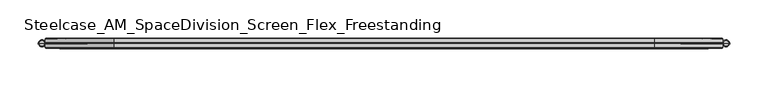
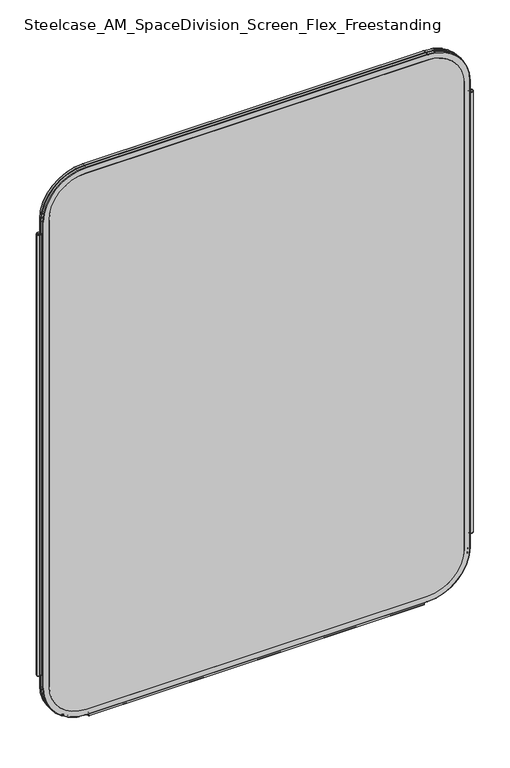
"""IFC4 building model written with IfcOpenShell, lengths in millimetres: furniture geometry, Steelcase_AM_SpaceDivision_Screen_Flex_Freestanding."""

from ifc_helpers import new_model, si_unit, point, frame, frame_2d, origin, place, context, project, spatial, polyline, circle_curve, ellipse_curve, trimmed, segment, composite_curve, outline, extrude, source, transform, mapped, element, save
from ifc_brep_helpers import plane_surface, cylinder_surface, revolved_surface, advanced_brep


def steelcase_am_spacedivision_screen_flex_freestanding_94bb1629(model_context):
    return source(origin(), model_context, "Body", "SolidModel", [
        advanced_brep(
        [(898.73, 0.0, 1084.43), (892.1294661, 0.0, 1084.43), (895.429733, 0.0, 1084.43), (900.0, 0.0, 1083.16), (890.8594661, 0.0, 1083.16), (900.0, 0.0, 121.92), (890.8594661, 0.0, 121.92), (898.73, 0.0, 120.65), (892.1294661, 0.0, 120.65), (895.429733, 0.0, 120.65)],
        [
            (0, 1, circle_curve(frame((895.429733, 0.0, 1084.43), z_axis=(0.0, 0.0, 1.0), x_axis=(-1.0, 0.0, 0.0)), 3.300267)),
            (1, 2),
            (2, 0),
            (1, 0, circle_curve(frame((895.429733, 0.0, 1084.43), z_axis=(0.0, 0.0, 1.0), x_axis=(-1.0, 0.0, 0.0)), 3.300267)),
            (3, 4, circle_curve(frame((895.429733, 0.0, 1083.16), z_axis=(0.0, 0.0, 1.0), x_axis=(-1.0, 0.0, 0.0)), 4.570267)),
            (4, 1, circle_curve(frame((892.1294661, 0.0, 1083.16), z_axis=(0.0, 1.0, 0.0), x_axis=(1.0, 0.0, 0.0)), 1.27)),
            (0, 3, circle_curve(frame((898.73, 0.0, 1083.16), z_axis=(0.0, 1.0, 0.0), x_axis=(-1.0, 0.0, 0.0)), 1.27)),
            (4, 3, circle_curve(frame((895.429733, 0.0, 1083.16), z_axis=(0.0, 0.0, 1.0), x_axis=(-1.0, 0.0, 0.0)), 4.570267)),
            (5, 6, circle_curve(frame((895.429733, 0.0, 121.92), z_axis=(0.0, 0.0, 1.0), x_axis=(-1.0, 0.0, 0.0)), 4.570267)),
            (6, 4),
            (3, 5),
            (6, 5, circle_curve(frame((895.429733, 0.0, 121.92), z_axis=(0.0, 0.0, 1.0), x_axis=(-1.0, 0.0, 0.0)), 4.570267)),
            (7, 8, circle_curve(frame((895.429733, 0.0, 120.65), z_axis=(0.0, 0.0, 1.0), x_axis=(-1.0, 0.0, 0.0)), 3.300267)),
            (8, 6, circle_curve(frame((892.1294661, 0.0, 121.92), z_axis=(0.0, 1.0, 0.0), x_axis=(1.0, 0.0, 0.0)), 1.27)),
            (5, 7, circle_curve(frame((898.73, 0.0, 121.92), z_axis=(0.0, 1.0, 0.0), x_axis=(-1.0, 0.0, 0.0)), 1.27)),
            (8, 7, circle_curve(frame((895.429733, 0.0, 120.65), z_axis=(0.0, 0.0, 1.0), x_axis=(-1.0, 0.0, 0.0)), 3.300267)),
            (9, 8),
            (7, 9),
        ],
        [
            plane_surface(frame((895.429733, 0.0, 1084.43), z_axis=(0.0, 0.0, 1.0), x_axis=(-1.0, 0.0, 0.0))),
            revolved_surface(trimmed(ellipse_curve(frame((892.1294661, 0.0, 1083.16), z_axis=(0.0, -1.0, 0.0), x_axis=(1.0, 0.0, 0.0)), 1.27, 1.27), [point((892.1294661, 0.0, 1084.43))], [point((890.8594661, 0.0, 1083.16))], True, "CARTESIAN"), (895.429733, 0.0, 112.3021634), (0.0, 0.0, -1.0)),
            cylinder_surface(frame((895.429733, 0.0, 112.3021634), z_axis=(0.0, 0.0, -1.0), x_axis=(-1.0, 0.0, 0.0)), 4.570267),
            revolved_surface(trimmed(ellipse_curve(frame((892.1294661, 0.0, 121.92), z_axis=(0.0, -1.0, 0.0), x_axis=(1.0, 0.0, 0.0)), 1.27, 1.27), [point((890.8594661, 0.0, 121.92))], [point((892.1294661, 0.0, 120.65))], True, "CARTESIAN"), (895.429733, 0.0, 112.3021634), (0.0, 0.0, -1.0)),
            plane_surface(frame((895.429733, 0.0, 120.65), z_axis=(0.0, 0.0, -1.0), x_axis=(-1.0, 0.0, 0.0))),
        ],
        [
            (0, [[1, 2, 3]]),
            (0, [[4, -3, -2]]),
            (1, [[5, 6, -1, 7]]),
            (1, [[8, -7, -4, -6]]),
            (2, [[9, 10, -5, 11]]),
            (2, [[12, -11, -8, -10]]),
            (3, [[13, 14, -9, 15]]),
            (3, [[16, -15, -12, -14]]),
            (4, [[17, -13, 18]]),
            (4, [[-18, -16, -17]]),
        ],
    ),
        advanced_brep(
        [(7.9329041, 0.0, 120.65), (1.232448, 0.0, 120.65), (0.0, 0.0, 121.882448), (9.1653521, 0.0, 121.882448), (4.582676, 0.0, 120.65), (7.8953521, 0.0, 1084.43), (1.27, 0.0, 1084.43), (4.582676, 0.0, 1084.43), (9.1653521, 0.0, 1083.16), (0.0, 0.0, 1083.16)],
        [
            (0, 1, circle_curve(frame((4.582676, 0.0, 120.65), z_axis=(0.0, 0.0, 1.0), x_axis=(-1.0, 0.0, 0.0)), 3.3502281)),
            (1, 2, circle_curve(frame((1.232448, 0.0, 121.882448), z_axis=(0.0, 1.0, 0.0), x_axis=(1.0, 0.0, 0.0)), 1.232448)),
            (2, 3, circle_curve(frame((4.582676, 0.0, 121.882448), z_axis=(0.0, 0.0, -1.0), x_axis=(-1.0, 0.0, 0.0)), 4.582676)),
            (3, 0, circle_curve(frame((7.9329041, 0.0, 121.882448), z_axis=(0.0, 1.0, 0.0), x_axis=(-1.0, 0.0, 0.0)), 1.232448)),
            (1, 0, circle_curve(frame((4.582676, 0.0, 120.65), z_axis=(0.0, 0.0, 1.0), x_axis=(-1.0, 0.0, 0.0)), 3.3502281)),
            (3, 2, circle_curve(frame((4.582676, 0.0, 121.882448), z_axis=(0.0, 0.0, -1.0), x_axis=(-1.0, 0.0, 0.0)), 4.582676)),
            (4, 1),
            (0, 4),
            (5, 6, circle_curve(frame((4.582676, 0.0, 1084.43), z_axis=(0.0, 0.0, 1.0), x_axis=(-1.0, 0.0, 0.0)), 3.312676)),
            (6, 7),
            (7, 5),
            (6, 5, circle_curve(frame((4.582676, 0.0, 1084.43), z_axis=(0.0, 0.0, 1.0), x_axis=(-1.0, 0.0, 0.0)), 3.312676)),
            (8, 9, circle_curve(frame((4.582676, 0.0, 1083.16), z_axis=(0.0, 0.0, 1.0), x_axis=(-1.0, 0.0, 0.0)), 4.582676)),
            (9, 6, circle_curve(frame((1.27, 0.0, 1083.16), z_axis=(0.0, 1.0, 0.0), x_axis=(1.0, 0.0, 0.0)), 1.27)),
            (5, 8, circle_curve(frame((7.8953521, 0.0, 1083.16), z_axis=(0.0, 1.0, 0.0), x_axis=(-1.0, 0.0, 0.0)), 1.27)),
            (9, 8, circle_curve(frame((4.582676, 0.0, 1083.16), z_axis=(0.0, 0.0, 1.0), x_axis=(-1.0, 0.0, 0.0)), 4.582676)),
            (2, 9),
            (8, 3),
        ],
        [
            revolved_surface(trimmed(ellipse_curve(frame((1.232448, 0.0, 121.882448), z_axis=(0.0, -1.0, 0.0), x_axis=(1.0, 0.0, 0.0)), 1.232448, 1.232448), [point((0.0, 0.0, 121.882448))], [point((1.232448, 0.0, 120.65))], True, "CARTESIAN"), (4.582676, 0.0, 110.6453157), (0.0, 0.0, -1.0)),
            plane_surface(frame((4.582676, 0.0, 120.65), z_axis=(0.0, 0.0, -1.0), x_axis=(-1.0, 0.0, 0.0))),
            plane_surface(frame((4.582676, 0.0, 1084.43), z_axis=(0.0, 0.0, 1.0), x_axis=(-1.0, 0.0, 0.0))),
            revolved_surface(trimmed(ellipse_curve(frame((1.27, 0.0, 1083.16), z_axis=(0.0, -1.0, 0.0), x_axis=(1.0, 0.0, 0.0)), 1.27, 1.27), [point((1.27, 0.0, 1084.43))], [point((0.0, 0.0, 1083.16))], True, "CARTESIAN"), (4.582676, 0.0, 110.6453157), (0.0, 0.0, -1.0)),
            cylinder_surface(frame((4.582676, 0.0, 110.6453157), z_axis=(0.0, 0.0, -1.0), x_axis=(-1.0, 0.0, 0.0)), 4.582676),
        ],
        [
            (0, [[1, 2, 3, 4]]),
            (0, [[5, -4, 6, -2]]),
            (1, [[7, -1, 8]]),
            (1, [[-8, -5, -7]]),
            (2, [[9, 10, 11]]),
            (2, [[12, -11, -10]]),
            (3, [[13, 14, -9, 15]]),
            (3, [[16, -15, -12, -14]]),
            (4, [[-3, 17, -13, 18]]),
            (4, [[-6, -18, -16, -17]]),
        ],
    ),
        extrude(outline(composite_curve([segment(trimmed(circle_curve(frame_2d((3.5, 2.4751953)), 2.5), [point((3.5, 4.9751953))], [point((1.4656663, 1.0220998))], False, "CARTESIAN"), True, "CONTINUOUS"), segment(trimmed(circle_curve(frame_2d((0.0, -0.0248047)), 1.8011626), [point((1.4656663, 1.0220998))], [point((-1.4656663, 1.0220998))], True, "CARTESIAN"), True, "CONTINUOUS"), segment(trimmed(circle_curve(frame_2d((-3.5, 2.4751953)), 2.5), [point((-1.4656663, 1.0220998))], [point((-3.5, 4.9751953))], False, "CARTESIAN"), True, "CONTINUOUS"), segment(trimmed(circle_curve(frame_2d((-3.5, 4.4751953)), 0.5), [point((-3.5, 4.9751953))], [point((-3.5, 3.9751953))], False, "CARTESIAN"), True, "CONTINUOUS"), segment(trimmed(circle_curve(frame_2d((-3.5, 2.4751953)), 1.5), [point((-3.5, 3.9751953))], [point((-2.3025096, 1.5718589))], True, "CARTESIAN"), True, "CONTINUOUS"), segment(trimmed(circle_curve(frame_2d((-10.3325937, 7.629417)), 10.0586411), [point((-2.3025096, 1.5718589))], [point((-0.714976, 4.6836248))], True, "CARTESIAN"), True, "CONTINUOUS"), segment(trimmed(circle_curve(frame_2d((0.0, 4.4646339)), 0.7477618), [point((-0.714976, 4.6836248))], [point((0.714976, 4.6836248))], False, "CARTESIAN"), True, "CONTINUOUS"), segment(trimmed(circle_curve(frame_2d((10.3325937, 7.629417)), 10.0586411), [point((0.714976, 4.6836248))], [point((2.3025096, 1.5718589))], True, "CARTESIAN"), True, "CONTINUOUS"), segment(trimmed(circle_curve(frame_2d((3.5, 2.4751953)), 1.5), [point((2.3025096, 1.5718589))], [point((3.5, 3.9751953))], True, "CARTESIAN"), True, "CONTINUOUS"), segment(trimmed(circle_curve(frame_2d((3.5, 4.4751953)), 0.5), [point((3.5, 3.9751953))], [point((3.5, 4.9751953))], False, "CARTESIAN"), True, "CONTINUOUS")], self_intersect=False)), frame((104.1640108, 0.0, 0.0), z_axis=(1.0, 0.0, 0.0), x_axis=(0.0, 1.0, 0.0)), (0.0, 0.0, 1.0), 691.6719784),
        extrude(outline(composite_curve([segment(trimmed(circle_curve(frame_2d((1111.1, 801.9594661)), 76.2), [point((1111.1, 878.1594661))], [point((1187.3, 801.9594661))], False, "CARTESIAN"), True, "CONTINUOUS"), segment(polyline([(1187.3, 801.9594661), (1187.3, 98.0653521)]), True, "CONTINUOUS"), segment(trimmed(circle_curve(frame_2d((1111.1, 98.0653521)), 76.2), [point((1187.3, 98.0653521))], [point((1111.1, 21.8653521))], False, "CARTESIAN"), True, "CONTINUOUS"), segment(polyline([(1111.1, 21.8653521), (93.8996464, 21.8653521)]), True, "CONTINUOUS"), segment(trimmed(circle_curve(frame_2d((93.8996464, 98.0653521)), 76.2), [point((93.8996464, 21.8653521))], [point((17.6996464, 98.0653521))], False, "CARTESIAN"), True, "CONTINUOUS"), segment(polyline([(17.6996464, 98.0653521), (17.6996464, 801.9594661)]), True, "CONTINUOUS"), segment(trimmed(circle_curve(frame_2d((93.8996464, 801.9594661)), 76.2), [point((17.6996464, 801.9594661))], [point((93.8996464, 878.1594661))], False, "CARTESIAN"), True, "CONTINUOUS"), segment(polyline([(93.8996464, 878.1594661), (1111.1, 878.1594661)]), True, "CONTINUOUS")], self_intersect=False)), frame((0.0, -6.477, 0.0), z_axis=(0.0, 1.0, 0.0), x_axis=(0.0, 0.0, 1.0)), (0.0, 0.0, 1.0), 12.954),
        advanced_brep(
        [(98.0653521, -6.477, 1187.3), (21.8653521, -6.477, 1111.1), (21.8653521, 6.477, 1111.1), (98.0653521, 6.477, 1187.3), (98.0653521, -5.715, 1200.0), (9.1653521, -5.715, 1111.1), (9.9273521, -6.477, 1111.1), (98.0653521, -6.477, 1199.238), (98.0653521, -0.8129491, 1200.0), (9.1653521, -0.8129491, 1111.1), (98.0653521, 0.0, 1199.4093579), (9.7559942, 0.0, 1111.1), (98.0653521, 0.8129491, 1200.0), (9.1653521, 0.8129491, 1111.1), (98.0653521, 5.715, 1200.0), (9.1653521, 5.715, 1111.1), (98.0653521, 6.477, 1199.238), (9.9273521, 6.477, 1111.1), (801.9594661, 6.477, 1187.3), (801.9594661, -6.477, 1187.3), (801.9594661, -6.477, 1199.238), (801.9594661, -5.715, 1200.0), (801.9594661, -0.8129491, 1200.0), (801.9594661, 0.0, 1199.4093579), (801.9594661, 0.8129491, 1200.0), (801.9594661, 5.715, 1200.0), (801.9594661, 6.477, 1199.238), (878.1594661, -6.477, 1111.1), (878.1594661, 6.477, 1111.1), (890.8594661, -5.715, 1111.1), (890.0974661, -6.477, 1111.1), (890.8594661, -0.8129491, 1111.1), (890.2688239, 0.0, 1111.1), (890.8594661, 0.8129491, 1111.1), (890.8594661, 5.715, 1111.1), (890.0974661, 6.477, 1111.1), (878.1594661, 6.477, 93.8996464), (878.1594661, -6.477, 93.8996464), (890.0974661, -6.477, 93.8996464), (890.8594661, -5.715, 93.8996464), (890.8594661, -0.8129491, 93.8996464), (890.2688239, 0.0, 93.8996464), (890.8594661, 0.8129491, 93.8996464), (890.8594661, 5.715, 93.8996464), (890.0974661, 6.477, 93.8996464), (801.9594661, -6.477, 17.6996464), (801.9594661, 6.477, 17.6996464), (801.9594661, -5.715, 4.9996464), (801.9594661, -6.477, 5.7616464), (801.9594661, -0.8129491, 4.9996464), (801.9594661, 0.0, 5.5902885), (801.9594661, 0.8129491, 4.9996464), (801.9594661, 5.715, 4.9996464), (801.9594661, 6.477, 5.7616464), (98.0653521, 6.477, 17.6996464), (98.0653521, -6.477, 17.6996464), (98.0653521, -6.477, 5.7616464), (98.0653521, -5.715, 4.9996464), (98.0653521, -0.8129491, 4.9996464), (98.0653521, 0.0, 5.5902885), (98.0653521, 0.8129491, 4.9996464), (98.0653521, 5.715, 4.9996464), (98.0653521, 6.477, 5.7616464), (21.8653521, -6.477, 93.8996464), (21.8653521, 6.477, 93.8996464), (9.1653521, -5.715, 93.8996464), (9.9273521, -6.477, 93.8996464), (9.1653521, -0.8129491, 93.8996464), (9.7559942, 0.0, 93.8996464), (9.1653521, 0.8129491, 93.8996464), (9.1653521, 5.715, 93.8996464), (9.9273521, 6.477, 93.8996464)],
        [
            (0, 1, circle_curve(frame((98.0653521, -6.477, 1111.1), z_axis=(0.0, -1.0, 0.0), x_axis=(-1.0, 0.0, 0.0)), 76.2)),
            (1, 2),
            (2, 3, circle_curve(frame((98.0653521, 6.477, 1111.1), z_axis=(0.0, 1.0, 0.0), x_axis=(-1.0, 0.0, 0.0)), 76.2)),
            (3, 0),
            (4, 5, circle_curve(frame((98.0653521, -5.715, 1111.1), z_axis=(0.0, -1.0, 0.0), x_axis=(-1.0, 0.0, 0.0)), 88.9)),
            (5, 6, circle_curve(frame((9.9273521, -5.715, 1111.1), z_axis=(0.0, 0.0, 1.0), x_axis=(-1.0, 0.0, 0.0)), 0.762)),
            (6, 7, circle_curve(frame((98.0653521, -6.477, 1111.1), z_axis=(0.0, 1.0, 0.0), x_axis=(-1.0, 0.0, 0.0)), 88.138)),
            (7, 4, circle_curve(frame((98.0653521, -5.715, 1199.238), z_axis=(-1.0, 0.0, 0.0), x_axis=(0.0, 0.0, 1.0)), 0.762)),
            (8, 9, circle_curve(frame((98.0653521, -0.8129491, 1111.1), z_axis=(0.0, -1.0, 0.0), x_axis=(-1.0, 0.0, 0.0)), 88.9)),
            (9, 5),
            (4, 8),
            (10, 11, circle_curve(frame((98.0653521, 0.0, 1111.1), z_axis=(0.0, -1.0, 0.0), x_axis=(-1.0, 0.0, 0.0)), 88.3093579)),
            (11, 9, circle_curve(frame((10.0201374, -0.8129491, 1111.1), z_axis=(0.0, 0.0, 1.0), x_axis=(-1.0, 0.0, 0.0)), 0.8547853)),
            (8, 10, circle_curve(frame((98.0653521, -0.8129491, 1199.1452147), z_axis=(-1.0, 0.0, 0.0), x_axis=(0.0, 0.0, 1.0)), 0.8547853)),
            (12, 13, circle_curve(frame((98.0653521, 0.8129491, 1111.1), z_axis=(0.0, -1.0, 0.0), x_axis=(-1.0, 0.0, 0.0)), 88.9)),
            (13, 11, circle_curve(frame((10.0201374, 0.8129491, 1111.1), z_axis=(0.0, 0.0, 1.0), x_axis=(-1.0, 0.0, 0.0)), 0.8547853)),
            (10, 12, circle_curve(frame((98.0653521, 0.8129491, 1199.1452147), z_axis=(-1.0, 0.0, 0.0), x_axis=(0.0, 0.0, 1.0)), 0.8547853)),
            (14, 15, circle_curve(frame((98.0653521, 5.715, 1111.1), z_axis=(0.0, -1.0, 0.0), x_axis=(-1.0, 0.0, 0.0)), 88.9)),
            (15, 13),
            (12, 14),
            (16, 17, circle_curve(frame((98.0653521, 6.477, 1111.1), z_axis=(0.0, -1.0, 0.0), x_axis=(-1.0, 0.0, 0.0)), 88.138)),
            (17, 15, circle_curve(frame((9.9273521, 5.715, 1111.1), z_axis=(0.0, 0.0, 1.0), x_axis=(-1.0, 0.0, 0.0)), 0.762)),
            (14, 16, circle_curve(frame((98.0653521, 5.715, 1199.238), z_axis=(-1.0, 0.0, 0.0), x_axis=(0.0, 0.0, 1.0)), 0.762)),
            (3, 18),
            (18, 19),
            (19, 0),
            (7, 20),
            (20, 21, circle_curve(frame((801.9594661, -5.715, 1199.238), z_axis=(-1.0, 0.0, 0.0), x_axis=(0.0, 0.0, 1.0)), 0.762)),
            (21, 4),
            (21, 22),
            (22, 8),
            (22, 23, circle_curve(frame((801.9594661, -0.8129491, 1199.1452147), z_axis=(-1.0, 0.0, 0.0), x_axis=(0.0, 0.0, 1.0)), 0.8547853)),
            (23, 10),
            (23, 24, circle_curve(frame((801.9594661, 0.8129491, 1199.1452147), z_axis=(-1.0, 0.0, 0.0), x_axis=(0.0, 0.0, 1.0)), 0.8547853)),
            (24, 12),
            (24, 25),
            (25, 14),
            (25, 26, circle_curve(frame((801.9594661, 5.715, 1199.238), z_axis=(-1.0, 0.0, 0.0), x_axis=(0.0, 0.0, 1.0)), 0.762)),
            (26, 16),
            (27, 19, circle_curve(frame((801.9594661, -6.477, 1111.1), z_axis=(0.0, -1.0, 0.0), x_axis=(0.0, 0.0, 1.0)), 76.2)),
            (18, 28, circle_curve(frame((801.9594661, 6.477, 1111.1), z_axis=(0.0, 1.0, 0.0), x_axis=(0.0, 0.0, 1.0)), 76.2)),
            (28, 27),
            (29, 21, circle_curve(frame((801.9594661, -5.715, 1111.1), z_axis=(0.0, -1.0, 0.0), x_axis=(0.0, 0.0, 1.0)), 88.9)),
            (20, 30, circle_curve(frame((801.9594661, -6.477, 1111.1), z_axis=(0.0, 1.0, 0.0), x_axis=(0.0, 0.0, 1.0)), 88.138)),
            (30, 29, circle_curve(frame((890.0974661, -5.715, 1111.1), z_axis=(0.0, 0.0, 1.0), x_axis=(1.0, 0.0, 0.0)), 0.762)),
            (31, 22, circle_curve(frame((801.9594661, -0.8129491, 1111.1), z_axis=(0.0, -1.0, 0.0), x_axis=(0.0, 0.0, 1.0)), 88.9)),
            (29, 31),
            (32, 23, circle_curve(frame((801.9594661, 0.0, 1111.1), z_axis=(0.0, -1.0, 0.0), x_axis=(0.0, 0.0, 1.0)), 88.3093579)),
            (31, 32, circle_curve(frame((890.0046808, -0.8129491, 1111.1), z_axis=(0.0, 0.0, 1.0), x_axis=(1.0, 0.0, 0.0)), 0.8547853)),
            (33, 24, circle_curve(frame((801.9594661, 0.8129491, 1111.1), z_axis=(0.0, -1.0, 0.0), x_axis=(0.0, 0.0, 1.0)), 88.9)),
            (32, 33, circle_curve(frame((890.0046808, 0.8129491, 1111.1), z_axis=(0.0, 0.0, 1.0), x_axis=(1.0, 0.0, 0.0)), 0.8547853)),
            (34, 25, circle_curve(frame((801.9594661, 5.715, 1111.1), z_axis=(0.0, -1.0, 0.0), x_axis=(0.0, 0.0, 1.0)), 88.9)),
            (33, 34),
            (35, 26, circle_curve(frame((801.9594661, 6.477, 1111.1), z_axis=(0.0, -1.0, 0.0), x_axis=(0.0, 0.0, 1.0)), 88.138)),
            (34, 35, circle_curve(frame((890.0974661, 5.715, 1111.1), z_axis=(0.0, 0.0, 1.0), x_axis=(1.0, 0.0, 0.0)), 0.762)),
            (28, 36),
            (36, 37),
            (37, 27),
            (30, 38),
            (38, 39, circle_curve(frame((890.0974661, -5.715, 93.8996464), z_axis=(0.0, 0.0, 1.0), x_axis=(1.0, 0.0, 0.0)), 0.762)),
            (39, 29),
            (39, 40),
            (40, 31),
            (40, 41, circle_curve(frame((890.0046808, -0.8129491, 93.8996464), z_axis=(0.0, 0.0, 1.0), x_axis=(1.0, 0.0, 0.0)), 0.8547853)),
            (41, 32),
            (41, 42, circle_curve(frame((890.0046808, 0.8129491, 93.8996464), z_axis=(0.0, 0.0, 1.0), x_axis=(1.0, 0.0, 0.0)), 0.8547853)),
            (42, 33),
            (42, 43),
            (43, 34),
            (43, 44, circle_curve(frame((890.0974661, 5.715, 93.8996464), z_axis=(0.0, 0.0, 1.0), x_axis=(1.0, 0.0, 0.0)), 0.762)),
            (44, 35),
            (45, 37, circle_curve(frame((801.9594661, -6.477, 93.8996464), z_axis=(0.0, -1.0, 0.0), x_axis=(1.0, 0.0, 0.0)), 76.2)),
            (36, 46, circle_curve(frame((801.9594661, 6.477, 93.8996464), z_axis=(0.0, 1.0, 0.0), x_axis=(1.0, 0.0, 0.0)), 76.2)),
            (46, 45),
            (47, 39, circle_curve(frame((801.9594661, -5.715, 93.8996464), z_axis=(0.0, -1.0, 0.0), x_axis=(1.0, 0.0, 0.0)), 88.9)),
            (38, 48, circle_curve(frame((801.9594661, -6.477, 93.8996464), z_axis=(0.0, 1.0, 0.0), x_axis=(1.0, 0.0, 0.0)), 88.138)),
            (48, 47, circle_curve(frame((801.9594661, -5.715, 5.7616464), z_axis=(1.0, 0.0, 0.0), x_axis=(0.0, 0.0, -1.0)), 0.762)),
            (49, 40, circle_curve(frame((801.9594661, -0.8129491, 93.8996464), z_axis=(0.0, -1.0, 0.0), x_axis=(1.0, 0.0, 0.0)), 88.9)),
            (47, 49),
            (50, 41, circle_curve(frame((801.9594661, 0.0, 93.8996464), z_axis=(0.0, -1.0, 0.0), x_axis=(1.0, 0.0, 0.0)), 88.3093579)),
            (49, 50, circle_curve(frame((801.9594661, -0.8129491, 5.8544317), z_axis=(1.0, 0.0, 0.0), x_axis=(0.0, 0.0, -1.0)), 0.8547853)),
            (51, 42, circle_curve(frame((801.9594661, 0.8129491, 93.8996464), z_axis=(0.0, -1.0, 0.0), x_axis=(1.0, 0.0, 0.0)), 88.9)),
            (50, 51, circle_curve(frame((801.9594661, 0.8129491, 5.8544317), z_axis=(1.0, 0.0, 0.0), x_axis=(0.0, 0.0, -1.0)), 0.8547853)),
            (52, 43, circle_curve(frame((801.9594661, 5.715, 93.8996464), z_axis=(0.0, -1.0, 0.0), x_axis=(1.0, 0.0, 0.0)), 88.9)),
            (51, 52),
            (53, 44, circle_curve(frame((801.9594661, 6.477, 93.8996464), z_axis=(0.0, -1.0, 0.0), x_axis=(1.0, 0.0, 0.0)), 88.138)),
            (52, 53, circle_curve(frame((801.9594661, 5.715, 5.7616464), z_axis=(1.0, 0.0, 0.0), x_axis=(0.0, 0.0, -1.0)), 0.762)),
            (46, 54),
            (54, 55),
            (55, 45),
            (48, 56),
            (56, 57, circle_curve(frame((98.0653521, -5.715, 5.7616464), z_axis=(1.0, 0.0, 0.0), x_axis=(0.0, 0.0, -1.0)), 0.762)),
            (57, 47),
            (57, 58),
            (58, 49),
            (58, 59, circle_curve(frame((98.0653521, -0.8129491, 5.8544317), z_axis=(1.0, 0.0, 0.0), x_axis=(0.0, 0.0, -1.0)), 0.8547853)),
            (59, 50),
            (59, 60, circle_curve(frame((98.0653521, 0.8129491, 5.8544317), z_axis=(1.0, 0.0, 0.0), x_axis=(0.0, 0.0, -1.0)), 0.8547853)),
            (60, 51),
            (60, 61),
            (61, 52),
            (61, 62, circle_curve(frame((98.0653521, 5.715, 5.7616464), z_axis=(1.0, 0.0, 0.0), x_axis=(0.0, 0.0, -1.0)), 0.762)),
            (62, 53),
            (63, 55, circle_curve(frame((98.0653521, -6.477, 93.8996464), z_axis=(0.0, -1.0, 0.0), x_axis=(0.0, 0.0, -1.0)), 76.2)),
            (54, 64, circle_curve(frame((98.0653521, 6.477, 93.8996464), z_axis=(0.0, 1.0, 0.0), x_axis=(0.0, 0.0, -1.0)), 76.2)),
            (64, 63),
            (65, 57, circle_curve(frame((98.0653521, -5.715, 93.8996464), z_axis=(0.0, -1.0, 0.0), x_axis=(0.0, 0.0, -1.0)), 88.9)),
            (56, 66, circle_curve(frame((98.0653521, -6.477, 93.8996464), z_axis=(0.0, 1.0, 0.0), x_axis=(0.0, 0.0, -1.0)), 88.138)),
            (66, 65, circle_curve(frame((9.9273521, -5.715, 93.8996464), z_axis=(0.0, 0.0, -1.0), x_axis=(-1.0, 0.0, 0.0)), 0.762)),
            (67, 58, circle_curve(frame((98.0653521, -0.8129491, 93.8996464), z_axis=(0.0, -1.0, 0.0), x_axis=(0.0, 0.0, -1.0)), 88.9)),
            (65, 67),
            (68, 59, circle_curve(frame((98.0653521, 0.0, 93.8996464), z_axis=(0.0, -1.0, 0.0), x_axis=(0.0, 0.0, -1.0)), 88.3093579)),
            (67, 68, circle_curve(frame((10.0201374, -0.8129491, 93.8996464), z_axis=(0.0, 0.0, -1.0), x_axis=(-1.0, 0.0, 0.0)), 0.8547853)),
            (69, 60, circle_curve(frame((98.0653521, 0.8129491, 93.8996464), z_axis=(0.0, -1.0, 0.0), x_axis=(0.0, 0.0, -1.0)), 88.9)),
            (68, 69, circle_curve(frame((10.0201374, 0.8129491, 93.8996464), z_axis=(0.0, 0.0, -1.0), x_axis=(-1.0, 0.0, 0.0)), 0.8547853)),
            (70, 61, circle_curve(frame((98.0653521, 5.715, 93.8996464), z_axis=(0.0, -1.0, 0.0), x_axis=(0.0, 0.0, -1.0)), 88.9)),
            (69, 70),
            (71, 62, circle_curve(frame((98.0653521, 6.477, 93.8996464), z_axis=(0.0, -1.0, 0.0), x_axis=(0.0, 0.0, -1.0)), 88.138)),
            (70, 71, circle_curve(frame((9.9273521, 5.715, 93.8996464), z_axis=(0.0, 0.0, -1.0), x_axis=(-1.0, 0.0, 0.0)), 0.762)),
            (64, 2),
            (1, 63),
            (6, 66),
            (5, 65),
            (9, 67),
            (11, 68),
            (13, 69),
            (15, 70),
            (17, 71),
        ],
        [
            revolved_surface(polyline([(21.865352099999996, 6.477, 1111.1), (21.865352099999996, -6.477, 1111.1)]), (98.0653521, 0.0, 1111.1), (0.0, 1.0, 0.0)),
            revolved_surface(trimmed(ellipse_curve(frame((9.9273521, -5.715, 1111.1), z_axis=(0.0, 0.0, -1.0), x_axis=(-1.0, 0.0, 0.0)), 0.762, 0.762), [point((9.9273521, -6.477, 1111.1))], [point((9.1653521, -5.715, 1111.1))], True, "CARTESIAN"), (98.0653521, 0.0, 1111.1), (0.0, 1.0, 0.0)),
            cylinder_surface(frame((98.0653521, 0.0, 1111.1), z_axis=(0.0, 1.0, 0.0), x_axis=(-1.0, 0.0, 0.0)), 88.9),
            revolved_surface(trimmed(ellipse_curve(frame((10.0201374, -0.8129491, 1111.1), z_axis=(0.0, 0.0, -1.0), x_axis=(-1.0, 0.0, 0.0)), 0.8547853, 0.8547853), [point((9.1653521, -0.8129491, 1111.1))], [point((9.7559942, 0.0, 1111.1))], True, "CARTESIAN"), (98.0653521, 0.0, 1111.1), (0.0, 1.0, 0.0)),
            revolved_surface(trimmed(ellipse_curve(frame((10.0201374, 0.8129491, 1111.1), z_axis=(0.0, 0.0, -1.0), x_axis=(-1.0, 0.0, 0.0)), 0.8547853, 0.8547853), [point((9.7559942, 0.0, 1111.1))], [point((9.1653521, 0.8129491, 1111.1))], True, "CARTESIAN"), (98.0653521, 0.0, 1111.1), (0.0, 1.0, 0.0)),
            revolved_surface(trimmed(ellipse_curve(frame((9.9273521, 5.715, 1111.1), z_axis=(0.0, 0.0, -1.0), x_axis=(-1.0, 0.0, 0.0)), 0.762, 0.762), [point((9.1653521, 5.715, 1111.1))], [point((9.9273521, 6.477, 1111.1))], True, "CARTESIAN"), (98.0653521, 0.0, 1111.1), (0.0, 1.0, 0.0)),
            plane_surface(frame((98.0653521, 6.477, 1187.3), z_axis=(0.0, 0.0, -1.0), x_axis=(1.0, 0.0, 0.0))),
            cylinder_surface(frame((98.0653521, -5.715, 1199.238), z_axis=(-1.0, 0.0, 0.0), x_axis=(0.0, 0.0, 1.0)), 0.762),
            plane_surface(frame((98.0653521, -5.715, 1200.0), z_axis=(0.0, 0.0, 1.0), x_axis=(1.0, 0.0, 0.0))),
            cylinder_surface(frame((98.0653521, -0.8129491, 1199.1452147), z_axis=(-1.0, 0.0, 0.0), x_axis=(0.0, 0.0, 1.0)), 0.8547853),
            cylinder_surface(frame((98.0653521, 0.8129491, 1199.1452147), z_axis=(-1.0, 0.0, 0.0), x_axis=(0.0, 0.0, 1.0)), 0.8547853),
            plane_surface(frame((98.0653521, 0.8129491, 1200.0), z_axis=(0.0, 0.0, 1.0), x_axis=(1.0, 0.0, 0.0))),
            cylinder_surface(frame((98.0653521, 5.715, 1199.238), z_axis=(-1.0, 0.0, 0.0), x_axis=(0.0, 0.0, 1.0)), 0.762),
            revolved_surface(polyline([(801.9594661, 6.477, 1187.3), (801.9594661, -6.477, 1187.3)]), (801.9594661, 0.0, 1111.1), (0.0, 1.0, 0.0)),
            revolved_surface(trimmed(ellipse_curve(frame((801.9594661, -5.715, 1199.238), z_axis=(-1.0, 0.0, 0.0), x_axis=(0.0, 0.0, 1.0)), 0.762, 0.762), [point((801.9594661, -6.477, 1199.238))], [point((801.9594661, -5.715, 1200.0))], True, "CARTESIAN"), (801.9594661, 0.0, 1111.1), (0.0, 1.0, 0.0)),
            cylinder_surface(frame((801.9594661, 0.0, 1111.1), z_axis=(0.0, 1.0, 0.0), x_axis=(0.0, 0.0, 1.0)), 88.9),
            revolved_surface(trimmed(ellipse_curve(frame((801.9594661, -0.8129491, 1199.1452147), z_axis=(-1.0, 0.0, 0.0), x_axis=(0.0, 0.0, 1.0)), 0.8547853, 0.8547853), [point((801.9594661, -0.8129491, 1200.0))], [point((801.9594661, 0.0, 1199.4093579))], True, "CARTESIAN"), (801.9594661, 0.0, 1111.1), (0.0, 1.0, 0.0)),
            revolved_surface(trimmed(ellipse_curve(frame((801.9594661, 0.8129491, 1199.1452147), z_axis=(-1.0, 0.0, 0.0), x_axis=(0.0, 0.0, 1.0)), 0.8547853, 0.8547853), [point((801.9594661, 0.0, 1199.4093579))], [point((801.9594661, 0.8129491, 1200.0))], True, "CARTESIAN"), (801.9594661, 0.0, 1111.1), (0.0, 1.0, 0.0)),
            revolved_surface(trimmed(ellipse_curve(frame((801.9594661, 5.715, 1199.238), z_axis=(-1.0, 0.0, 0.0), x_axis=(0.0, 0.0, 1.0)), 0.762, 0.762), [point((801.9594661, 5.715, 1200.0))], [point((801.9594661, 6.477, 1199.238))], True, "CARTESIAN"), (801.9594661, 0.0, 1111.1), (0.0, 1.0, 0.0)),
            plane_surface(frame((878.1594661, 6.477, 1111.1), z_axis=(-1.0, 0.0, 0.0), x_axis=(0.0, 0.0, -1.0))),
            cylinder_surface(frame((890.0974661, -5.715, 1111.1), z_axis=(0.0, 0.0, 1.0), x_axis=(1.0, 0.0, 0.0)), 0.762),
            plane_surface(frame((890.8594661, -5.715, 1111.1), z_axis=(1.0, 0.0, 0.0), x_axis=(0.0, 0.0, -1.0))),
            cylinder_surface(frame((890.0046808, -0.8129491, 1111.1), z_axis=(0.0, 0.0, 1.0), x_axis=(1.0, 0.0, 0.0)), 0.8547853),
            cylinder_surface(frame((890.0046808, 0.8129491, 1111.1), z_axis=(0.0, 0.0, 1.0), x_axis=(1.0, 0.0, 0.0)), 0.8547853),
            plane_surface(frame((890.8594661, 0.8129491, 1111.1), z_axis=(1.0, 0.0, 0.0), x_axis=(0.0, 0.0, -1.0))),
            cylinder_surface(frame((890.0974661, 5.715, 1111.1), z_axis=(0.0, 0.0, 1.0), x_axis=(1.0, 0.0, 0.0)), 0.762),
            revolved_surface(polyline([(878.1594661, 6.477, 93.8996464), (878.1594661, -6.477, 93.8996464)]), (801.9594661, 0.0, 93.8996464), (0.0, 1.0, 0.0)),
            revolved_surface(trimmed(ellipse_curve(frame((890.0974661, -5.715, 93.8996464), z_axis=(0.0, 0.0, 1.0), x_axis=(1.0, 0.0, 0.0)), 0.762, 0.762), [point((890.0974661, -6.477, 93.8996464))], [point((890.8594661, -5.715, 93.8996464))], True, "CARTESIAN"), (801.9594661, 0.0, 93.8996464), (0.0, 1.0, 0.0)),
            cylinder_surface(frame((801.9594661, 0.0, 93.8996464), z_axis=(0.0, 1.0, 0.0), x_axis=(1.0, 0.0, 0.0)), 88.9),
            revolved_surface(trimmed(ellipse_curve(frame((890.0046808, -0.8129491, 93.8996464), z_axis=(0.0, 0.0, 1.0), x_axis=(1.0, 0.0, 0.0)), 0.8547853, 0.8547853), [point((890.8594661, -0.8129491, 93.8996464))], [point((890.2688239, 0.0, 93.8996464))], True, "CARTESIAN"), (801.9594661, 0.0, 93.8996464), (0.0, 1.0, 0.0)),
            revolved_surface(trimmed(ellipse_curve(frame((890.0046808, 0.8129491, 93.8996464), z_axis=(0.0, 0.0, 1.0), x_axis=(1.0, 0.0, 0.0)), 0.8547853, 0.8547853), [point((890.2688239, 0.0, 93.8996464))], [point((890.8594661, 0.8129491, 93.8996464))], True, "CARTESIAN"), (801.9594661, 0.0, 93.8996464), (0.0, 1.0, 0.0)),
            revolved_surface(trimmed(ellipse_curve(frame((890.0974661, 5.715, 93.8996464), z_axis=(0.0, 0.0, 1.0), x_axis=(1.0, 0.0, 0.0)), 0.762, 0.762), [point((890.8594661, 5.715, 93.8996464))], [point((890.0974661, 6.477, 93.8996464))], True, "CARTESIAN"), (801.9594661, 0.0, 93.8996464), (0.0, 1.0, 0.0)),
            plane_surface(frame((801.9594661, 6.477, 17.6996464), z_axis=(0.0, 0.0, 1.0), x_axis=(-1.0, 0.0, 0.0))),
            cylinder_surface(frame((801.9594661, -5.715, 5.7616464), z_axis=(1.0, 0.0, 0.0), x_axis=(0.0, 0.0, -1.0)), 0.762),
            plane_surface(frame((801.9594661, -5.715, 4.9996464), z_axis=(0.0, 0.0, -1.0), x_axis=(-1.0, 0.0, 0.0))),
            cylinder_surface(frame((801.9594661, -0.8129491, 5.8544317), z_axis=(1.0, 0.0, 0.0), x_axis=(0.0, 0.0, -1.0)), 0.8547853),
            cylinder_surface(frame((801.9594661, 0.8129491, 5.8544317), z_axis=(1.0, 0.0, 0.0), x_axis=(0.0, 0.0, -1.0)), 0.8547853),
            plane_surface(frame((801.9594661, 0.8129491, 4.9996464), z_axis=(0.0, 0.0, -1.0), x_axis=(-1.0, 0.0, 0.0))),
            cylinder_surface(frame((801.9594661, 5.715, 5.7616464), z_axis=(1.0, 0.0, 0.0), x_axis=(0.0, 0.0, -1.0)), 0.762),
            revolved_surface(polyline([(98.0653521, 6.477, 17.699646399999992), (98.0653521, -6.477, 17.699646399999992)]), (98.0653521, 0.0, 93.8996464), (0.0, 1.0, 0.0)),
            revolved_surface(trimmed(ellipse_curve(frame((98.0653521, -5.715, 5.7616464), z_axis=(1.0, 0.0, 0.0), x_axis=(0.0, 0.0, -1.0)), 0.762, 0.762), [point((98.0653521, -6.477, 5.7616464))], [point((98.0653521, -5.715, 4.9996464))], True, "CARTESIAN"), (98.0653521, 0.0, 93.8996464), (0.0, 1.0, 0.0)),
            cylinder_surface(frame((98.0653521, 0.0, 93.8996464), z_axis=(0.0, 1.0, 0.0), x_axis=(0.0, 0.0, -1.0)), 88.9),
            revolved_surface(trimmed(ellipse_curve(frame((98.0653521, -0.8129491, 5.8544317), z_axis=(1.0, 0.0, 0.0), x_axis=(0.0, 0.0, -1.0)), 0.8547853, 0.8547853), [point((98.0653521, -0.8129491, 4.9996464))], [point((98.0653521, 0.0, 5.5902885))], True, "CARTESIAN"), (98.0653521, 0.0, 93.8996464), (0.0, 1.0, 0.0)),
            revolved_surface(trimmed(ellipse_curve(frame((98.0653521, 0.8129491, 5.8544317), z_axis=(1.0, 0.0, 0.0), x_axis=(0.0, 0.0, -1.0)), 0.8547853, 0.8547853), [point((98.0653521, 0.0, 5.5902885))], [point((98.0653521, 0.8129491, 4.9996464))], True, "CARTESIAN"), (98.0653521, 0.0, 93.8996464), (0.0, 1.0, 0.0)),
            revolved_surface(trimmed(ellipse_curve(frame((98.0653521, 5.715, 5.7616464), z_axis=(1.0, 0.0, 0.0), x_axis=(0.0, 0.0, -1.0)), 0.762, 0.762), [point((98.0653521, 5.715, 4.9996464))], [point((98.0653521, 6.477, 5.7616464))], True, "CARTESIAN"), (98.0653521, 0.0, 93.8996464), (0.0, 1.0, 0.0)),
            plane_surface(frame((21.8653521, 6.477, 93.8996464), z_axis=(1.0, 0.0, 0.0), x_axis=(0.0, 0.0, 1.0))),
            plane_surface(frame((21.8653521, -6.477, 93.8996464), z_axis=(0.0, -1.0, 0.0), x_axis=(0.0, 0.0, 1.0))),
            cylinder_surface(frame((9.9273521, -5.715, 93.8996464), z_axis=(0.0, 0.0, -1.0), x_axis=(-1.0, 0.0, 0.0)), 0.762),
            plane_surface(frame((9.1653521, -5.715, 93.8996464), z_axis=(-1.0, 0.0, 0.0), x_axis=(0.0, 0.0, 1.0))),
            cylinder_surface(frame((10.0201374, -0.8129491, 93.8996464), z_axis=(0.0, 0.0, -1.0), x_axis=(-1.0, 0.0, 0.0)), 0.8547853),
            cylinder_surface(frame((10.0201374, 0.8129491, 93.8996464), z_axis=(0.0, 0.0, -1.0), x_axis=(-1.0, 0.0, 0.0)), 0.8547853),
            plane_surface(frame((9.1653521, 0.8129491, 93.8996464), z_axis=(-1.0, 0.0, 0.0), x_axis=(0.0, 0.0, 1.0))),
            cylinder_surface(frame((9.9273521, 5.715, 93.8996464), z_axis=(0.0, 0.0, -1.0), x_axis=(-1.0, 0.0, 0.0)), 0.762),
            plane_surface(frame((9.9273521, 6.477, 93.8996464), z_axis=(0.0, 1.0, 0.0), x_axis=(0.0, 0.0, 1.0))),
        ],
        [
            (0, [[1, 2, 3, 4]]),
            (1, [[5, 6, 7, 8]]),
            (2, [[9, 10, -5, 11]]),
            (3, [[12, 13, -9, 14]]),
            (4, [[15, 16, -12, 17]]),
            (2, [[18, 19, -15, 20]]),
            (5, [[21, 22, -18, 23]]),
            (6, [[-4, 24, 25, 26]]),
            (7, [[-8, 27, 28, 29]]),
            (8, [[-11, -29, 30, 31]]),
            (9, [[-14, -31, 32, 33]]),
            (10, [[-17, -33, 34, 35]]),
            (11, [[-20, -35, 36, 37]]),
            (12, [[-23, -37, 38, 39]]),
            (13, [[40, -25, 41, 42]]),
            (14, [[43, -28, 44, 45]]),
            (15, [[46, -30, -43, 47]]),
            (16, [[48, -32, -46, 49]]),
            (17, [[50, -34, -48, 51]]),
            (15, [[52, -36, -50, 53]]),
            (18, [[54, -38, -52, 55]]),
            (19, [[-42, 56, 57, 58]]),
            (20, [[-45, 59, 60, 61]]),
            (21, [[-47, -61, 62, 63]]),
            (22, [[-49, -63, 64, 65]]),
            (23, [[-51, -65, 66, 67]]),
            (24, [[-53, -67, 68, 69]]),
            (25, [[-55, -69, 70, 71]]),
            (26, [[72, -57, 73, 74]]),
            (27, [[75, -60, 76, 77]]),
            (28, [[78, -62, -75, 79]]),
            (29, [[80, -64, -78, 81]]),
            (30, [[82, -66, -80, 83]]),
            (28, [[84, -68, -82, 85]]),
            (31, [[86, -70, -84, 87]]),
            (32, [[-74, 88, 89, 90]]),
            (33, [[-77, 91, 92, 93]]),
            (34, [[-79, -93, 94, 95]]),
            (35, [[-81, -95, 96, 97]]),
            (36, [[-83, -97, 98, 99]]),
            (37, [[-85, -99, 100, 101]]),
            (38, [[-87, -101, 102, 103]]),
            (39, [[104, -89, 105, 106]]),
            (40, [[107, -92, 108, 109]]),
            (41, [[110, -94, -107, 111]]),
            (42, [[112, -96, -110, 113]]),
            (43, [[114, -98, -112, 115]]),
            (41, [[116, -100, -114, 117]]),
            (44, [[118, -102, -116, 119]]),
            (45, [[-106, 120, -2, 121]]),
            (46, [[122, -108, -91, -76, -59, -44, -27, -7], [-90, -104, -121, -1, -26, -40, -58, -72]]),
            (47, [[-109, -122, -6, 123]]),
            (48, [[-111, -123, -10, 124]]),
            (49, [[-113, -124, -13, 125]]),
            (50, [[-115, -125, -16, 126]]),
            (51, [[-117, -126, -19, 127]]),
            (52, [[-119, -127, -22, 128]]),
            (53, [[-103, -118, -128, -21, -39, -54, -71, -86], [-120, -105, -88, -73, -56, -41, -24, -3]]),
        ],
    ),
    ])


if __name__ == "__main__":
    model = new_model("IFC4")
    model_context = context("Model", 3, world=origin())
    ifc_project = project(units=[si_unit("LENGTHUNIT", "METRE", prefix="MILLI")], contexts=[model_context])
    site = spatial("IfcSite", under=ifc_project)
    building = spatial("IfcBuilding", under=site)
    placement = place(None, origin())
    steelcase_am_spacedivision_screen_flex_freestanding_shape = steelcase_am_spacedivision_screen_flex_freestanding_94bb1629(model_context)
    element("IfcFurniture", 1, ObjectType="Steelcase_AM_SpaceDivision_Screen_Flex_Freestanding", at=placement, inside=building, context=model_context, shape_type="MappedRepresentation", body=[
        mapped(steelcase_am_spacedivision_screen_flex_freestanding_shape, transform((0.0, 0.0, 0.0), x_axis=(1.0, 0.0, 0.0), y_axis=(0.0, 1.0, 0.0), z_axis=(0.0, 0.0, 1.0))),
    ])
    save(model, "model.ifc")
